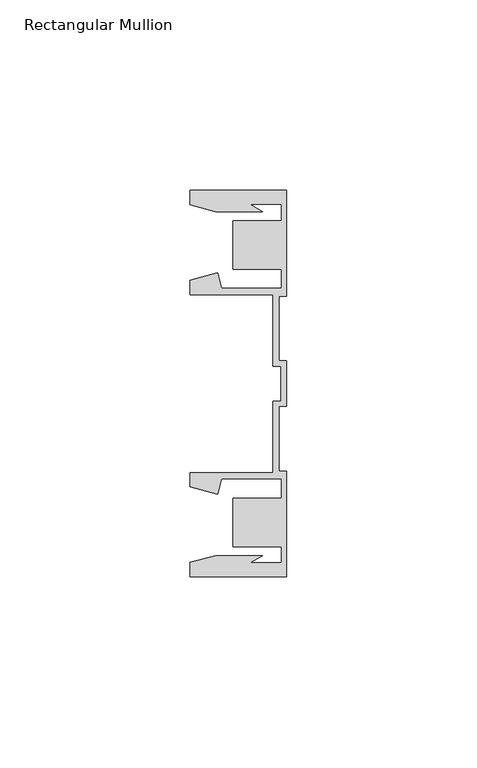
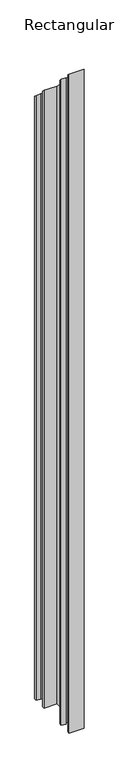
"""IFC4 building model written with IfcOpenShell, lengths in millimetres: member geometry, Rectangular Mullion."""

from ifc_helpers import new_model, si_unit, origin, place, context, project, spatial, faceted_brep, source, transform, mapped, element, save


def rectangular_mullion_ea553e89(model_context):
    return source(origin(), model_context, "Body", "Brep", [
        faceted_brep([(-25.4, 50.7954622, -1132.6564481), (0.0, 50.7954622, -1132.6564481), (0.0, 22.9938072, -1132.6564481), (-2.0000011, 22.9938072, -1132.6564481), (-2.0000011, 6.0000032, -1132.6564481), (0.0, 6.0000032, -1132.6564481), (0.0, -6.0000032, -1132.6564481), (-2.0000011, -6.0000032, -1132.6564481), (-2.0000011, -22.9938072, -1132.6564481), (0.0, -22.9938072, -1132.6564481), (0.0, -50.7954622, -1132.6564481), (-25.4, -50.7954622, -1132.6564481), (-25.4, -46.9998463, -1132.6564481), (-18.7113002, -45.2076146, -1132.6564481), (-6.3834869, -45.2076146, -1132.6564481), (-9.7005662, -47.1227313, -1132.6564481), (-1.4138425, -47.1227313, -1132.6564481), (-1.4138425, -42.8128906, -1132.6564481), (-14.1138425, -42.8128906, -1132.6564481), (-14.1138425, -30.1128906, -1132.6564481), (-1.4138425, -30.1128906, -1132.6564481), (-1.4138425, -25.0120132, -1132.6564481), (-17.1094033, -25.0120132, -1132.6564481), (-18.2017212, -29.0885993, -1132.6564481), (-25.4, -27.1598263, -1132.6564481), (-25.4, -23.3610583, -1132.6564481), (-3.555903, -23.3610583, -1132.6564481), (-3.555903, -4.5718753, -1132.6564481), (-1.5239584, -4.5718753, -1132.6564481), (-1.5239584, 4.5718753, -1132.6564481), (-3.555903, 4.5718753, -1132.6564481), (-3.555903, 23.3610583, -1132.6564481), (-25.4, 23.3610583, -1132.6564481), (-25.4, 27.1598263, -1132.6564481), (-18.2017212, 29.0885993, -1132.6564481), (-17.1094033, 25.0120132, -1132.6564481), (-1.4138425, 25.0120132, -1132.6564481), (-1.4138425, 30.1128906, -1132.6564481), (-14.1138425, 30.1128906, -1132.6564481), (-14.1138425, 42.8128906, -1132.6564481), (-1.4138425, 42.8128906, -1132.6564481), (-1.4138425, 47.1227313, -1132.6564481), (-9.7005662, 47.1227313, -1132.6564481), (-6.3834869, 45.2076146, -1132.6564481), (-18.7113002, 45.2076146, -1132.6564481), (-25.4, 46.9998463, -1132.6564481), (-25.4, 46.9998463, -46.9998463), (-25.4, 50.7954622, -50.7954622), (-18.7113002, 45.2076146, -45.2076146), (-6.3834869, 45.2076146, -45.2076146), (-9.7005662, 47.1227313, -47.1227313), (-1.4138425, 47.1227313, -47.1227313), (-1.4138425, 42.8128906, -42.8128906), (-14.1138425, 42.8128906, -42.8128906), (-14.1138425, 30.1128906, -30.1128906), (-1.4138425, 30.1128906, -30.1128906), (-1.4138425, 25.0120132, -25.0120132), (-17.1094033, 25.0120132, -25.0120132), (-18.2017212, 29.0885993, -29.0885993), (-25.4, 27.1598263, -27.1598263), (-25.4, 23.3610583, -23.3610583), (-3.555903, 23.3610583, -23.3610583), (-3.555903, 4.5718753, -4.5718753), (-1.5239584, 4.5718753, -4.5718753), (-1.5239584, -4.5718753, 4.5718753), (-3.555903, -4.5718753, 4.5718753), (-3.555903, -23.3610583, 23.3610583), (-25.4, -23.3610583, 23.3610583), (-25.4, -27.1598263, 27.1598263), (-18.2017212, -29.0885993, 29.0885993), (-17.1094033, -25.0120132, 25.0120132), (-1.4138425, -25.0120132, 25.0120132), (-1.4138425, -30.1128906, 30.1128906), (-14.1138425, -30.1128906, 30.1128906), (-14.1138425, -42.8128906, 42.8128906), (-1.4138425, -42.8128906, 42.8128906), (-1.4138425, -47.1227313, 47.1227313), (-9.7005662, -47.1227313, 47.1227313), (-6.3834869, -45.2076146, 45.2076146), (-18.7113002, -45.2076146, 45.2076146), (-25.4, -46.9998463, 46.9998463), (-25.4, -50.7954622, 50.7954622), (0.0, -50.7954622, 50.7954622), (0.0, -22.9938072, 22.9938072), (-2.0000011, -22.9938072, 22.9938072), (-2.0000011, -6.0000032, 6.0000032), (0.0, -6.0000032, 6.0000032), (0.0, 6.0000032, -6.0000032), (-2.0000011, 6.0000032, -6.0000032), (-2.0000011, 22.9938072, -22.9938072), (0.0, 22.9938072, -22.9938072), (0.0, 50.7954622, -50.7954622)], [[[0, 1, 2, 3, 4, 5, 6, 7, 8, 9, 10, 11, 12, 13, 14, 15, 16, 17, 18, 19, 20, 21, 22, 23, 24, 25, 26, 27, 28, 29, 30, 31, 32, 33, 34, 35, 36, 37, 38, 39, 40, 41, 42, 43, 44, 45]], [[46, 47, 0, 45]], [[48, 46, 45, 44]], [[49, 48, 44, 43]], [[50, 49, 43, 42]], [[51, 50, 42, 41]], [[52, 51, 41, 40]], [[53, 52, 40, 39]], [[54, 53, 39, 38]], [[55, 54, 38, 37]], [[56, 55, 37, 36]], [[57, 56, 36, 35]], [[58, 57, 35, 34]], [[59, 58, 34, 33]], [[60, 59, 33, 32]], [[61, 60, 32, 31]], [[62, 61, 31, 30]], [[63, 62, 30, 29]], [[64, 63, 29, 28]], [[65, 64, 28, 27]], [[66, 65, 27, 26]], [[67, 66, 26, 25]], [[68, 67, 25, 24]], [[69, 68, 24, 23]], [[70, 69, 23, 22]], [[71, 70, 22, 21]], [[72, 71, 21, 20]], [[73, 72, 20, 19]], [[74, 73, 19, 18]], [[75, 74, 18, 17]], [[76, 75, 17, 16]], [[77, 76, 16, 15]], [[78, 77, 15, 14]], [[79, 78, 14, 13]], [[80, 79, 13, 12]], [[81, 80, 12, 11]], [[82, 81, 11, 10]], [[83, 82, 10, 9]], [[84, 83, 9, 8]], [[85, 84, 8, 7]], [[86, 85, 7, 6]], [[87, 86, 6, 5]], [[88, 87, 5, 4]], [[89, 88, 4, 3]], [[90, 89, 3, 2]], [[91, 90, 2, 1]], [[47, 91, 1, 0]], [[47, 46, 48, 49, 50, 51, 52, 53, 54, 55, 56, 57, 58, 59, 60, 61, 62, 63, 64, 65, 66, 67, 68, 69, 70, 71, 72, 73, 74, 75, 76, 77, 78, 79, 80, 81, 82, 83, 84, 85, 86, 87, 88, 89, 90, 91]]]),
    ])


if __name__ == "__main__":
    model = new_model("IFC4")
    model_context = context("Model", 3, world=origin())
    ifc_project = project(units=[si_unit("LENGTHUNIT", "METRE", prefix="MILLI")], contexts=[model_context])
    site = spatial("IfcSite", under=ifc_project)
    building = spatial("IfcBuilding", under=site)
    placement = place(None, origin())
    rectangular_mullion_shape = rectangular_mullion_ea553e89(model_context)
    element("IfcMember", 1, ObjectType="Rectangular Mullion", at=placement, inside=building, context=model_context, shape_type="MappedRepresentation", body=[
        mapped(rectangular_mullion_shape, transform((0.0, 0.0, 0.0), x_axis=(1.0, 0.0, 0.0), y_axis=(0.0, 1.0, 0.0), z_axis=(0.0, 0.0, 1.0))),
    ])
    save(model, "model.ifc")
